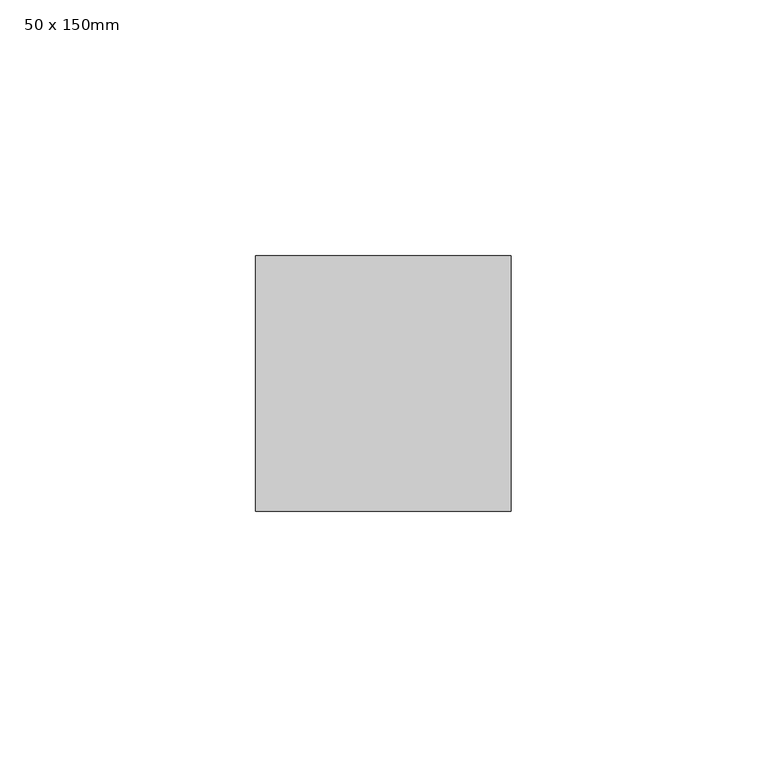
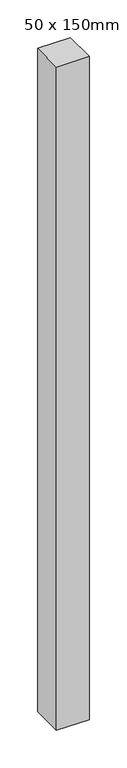
"""IFC4 building model written with IfcOpenShell, lengths in millimetres: member geometry, 50 x 150mm."""

import ifcopenshell
import ifcopenshell.guid

model = None  # the IFC model being written
_history = None  # IfcOwnerHistory: only IFC2X3 demands one
_inside = {}  # id of a spatial element -> (the spatial element, [elements in it])
_under = {}  # id of a project, library or spatial element -> (it, [spatial elements below it])
_declared = {}  # id of a project -> (the project, [libraries it declares])
_typed = {}  # id of a type object -> (the type object, [elements of that type])
_made_of = {}  # id of a material, layer set ... -> (it, [elements and type objects made of it])


def new_model(schema):
    """Start an empty IFC model of exactly this schema.

    Asked for "IFC4X3", IfcOpenShell would pick the latest addendum, in which some entities
    have other attributes; the version numbers below select the first issue.
    IFC2X3 requires an IfcOwnerHistory on every rooted entity: one is made here for all.
    """
    global model, _history
    if schema == "IFC4X3":
        model = ifcopenshell.file(schema_version=(4, 3, 0, 0))
    else:
        model = ifcopenshell.file(schema=schema)
    _inside.clear()
    _under.clear()
    _declared.clear()
    _typed.clear()
    _made_of.clear()
    _history = None
    if model.schema == "IFC2X3":
        org = make("IfcOrganization", Name="unknown")
        user = make(
            "IfcPersonAndOrganization",
            ThePerson=make("IfcPerson", FamilyName="unknown"),
            TheOrganization=org,
        )
        app = make(
            "IfcApplication",
            ApplicationDeveloper=org,
            Version="unknown",
            ApplicationFullName="unknown",
            ApplicationIdentifier="unknown",
        )
        _history = make(
            "IfcOwnerHistory",
            OwningUser=user,
            OwningApplication=app,
            ChangeAction="ADDED",
            CreationDate=0,
        )
    return model


def make(cls, **values):
    """One entity of the class cls with the attributes given. An attribute that is None is left unset."""
    return model.create_entity(
        cls, **{name: value for name, value in values.items() if value is not None}
    )


def rooted(cls, **values):
    """An entity with a GlobalId (a new one), such as an element, a storey or a relation."""
    return make(cls, GlobalId=ifcopenshell.guid.new(), OwnerHistory=_history, **values)


def si_unit(unit_type, name, prefix=None):
    """IfcSIUnit, for example si_unit("LENGTHUNIT", "METRE", prefix="MILLI")."""
    return make("IfcSIUnit", UnitType=unit_type, Prefix=prefix, Name=name)


def assignment(units):
    """IfcUnitAssignment: the units of a project."""
    return None if units is None else make("IfcUnitAssignment", Units=units)


def point(xyz):
    """IfcCartesianPoint."""
    return None if xyz is None else make("IfcCartesianPoint", Coordinates=xyz)


def direction(xyz):
    """IfcDirection."""
    return None if xyz is None else make("IfcDirection", DirectionRatios=xyz)


def frame(location, z_axis=None, x_axis=None):
    """IfcAxis2Placement3D, a coordinate frame: its origin and axes. An axis left out is left unset."""
    return make(
        "IfcAxis2Placement3D",
        Location=point(location),
        Axis=direction(z_axis),
        RefDirection=direction(x_axis),
    )


def origin():
    """The frame at (0, 0, 0) with its axes left unset."""
    return frame((0.0, 0.0, 0.0))


def place(relative_to, where):
    """IfcLocalPlacement: puts the frame where relative to a parent placement (None: the world)."""
    return make(
        "IfcLocalPlacement", PlacementRelTo=relative_to, RelativePlacement=where
    )


def context(
    kind, dimensions, precision=None, world=None, true_north=None, identifier=None
):
    """IfcGeometricRepresentationContext, for example the 3D "Model" context."""
    return make(
        "IfcGeometricRepresentationContext",
        ContextIdentifier=identifier,
        ContextType=kind,
        CoordinateSpaceDimension=dimensions,
        Precision=precision,
        WorldCoordinateSystem=world,
        TrueNorth=true_north,
    )


def project(units=None, contexts=None):
    """IfcProject with its units and contexts."""
    return rooted(
        "IfcProject",
        Name="project",
        RepresentationContexts=contexts,
        UnitsInContext=assignment(units),
    )


def spatial(cls, under=None, at=None, **own):
    """A site, building, storey or space (cls), placed at a placement, below another one or the project."""
    s = rooted(cls, ObjectPlacement=at, **own)
    if under is not None:
        _under.setdefault(under.id(), (under, []))[1].append(s)
    return s


def polyline(points):
    """IfcPolyline through the points."""
    return make("IfcPolyline", Points=[point(p) for p in points])


def outline(outer, holes=None, kind="AREA"):
    """IfcArbitraryClosedProfileDef: a profile drawn as a closed curve; with holes, ...WithVoids."""
    if holes is None:
        return make("IfcArbitraryClosedProfileDef", ProfileType=kind, OuterCurve=outer)
    return make(
        "IfcArbitraryProfileDefWithVoids",
        ProfileType=kind,
        OuterCurve=outer,
        InnerCurves=holes,
    )


def extrude(swept, where, along, depth):
    """IfcExtrudedAreaSolid: the profile swept, set in the frame where, extruded along a direction by depth."""
    return make(
        "IfcExtrudedAreaSolid",
        SweptArea=swept,
        Position=where,
        ExtrudedDirection=direction(along),
        Depth=depth,
    )


def shape(context_of_items, identifier, shape_type, items):
    """IfcShapeRepresentation: the items that make up one representation, for example the "Body"."""
    return make(
        "IfcShapeRepresentation",
        ContextOfItems=context_of_items,
        RepresentationIdentifier=identifier,
        RepresentationType=shape_type,
        Items=items,
    )


def source(mapping_origin, context_of_items, identifier, shape_type, items):
    """IfcRepresentationMap: a shape defined once, which mapped items show again and again."""
    return make(
        "IfcRepresentationMap",
        MappingOrigin=mapping_origin,
        MappedRepresentation=shape(context_of_items, identifier, shape_type, items),
    )


def transform(
    local_origin,
    x_axis=None,
    y_axis=None,
    z_axis=None,
    scale=None,
    scale2=None,
    scale3=None,
    uniform=True,
):
    """IfcCartesianTransformationOperator3D, or its non-uniform kind. x_axis, y_axis, z_axis: its Axis1, 2, 3."""
    if uniform:
        return make(
            "IfcCartesianTransformationOperator3D",
            Axis1=direction(x_axis),
            Axis2=direction(y_axis),
            LocalOrigin=point(local_origin),
            Scale=scale,
            Axis3=direction(z_axis),
        )
    return make(
        "IfcCartesianTransformationOperator3DnonUniform",
        Axis1=direction(x_axis),
        Axis2=direction(y_axis),
        LocalOrigin=point(local_origin),
        Scale=scale,
        Axis3=direction(z_axis),
        Scale2=scale2,
        Scale3=scale3,
    )


def mapped(mapping_source, mapping_target):
    """IfcMappedItem: shows the shape of a source again, moved by a transform."""
    return make(
        "IfcMappedItem", MappingSource=mapping_source, MappingTarget=mapping_target
    )


def made_of(thing, what):
    """Note that an element or type object is made of a material, layer set ...; save() writes the relation."""
    if what is not None:
        _made_of.setdefault(what.id(), (what, []))[1].append(thing)
    return thing


def element(
    cls,
    number,
    at=None,
    inside=None,
    cuts=None,
    type_object=None,
    material=None,
    context=None,
    identifier="Body",
    shape_type=None,
    held_by="IfcProductDefinitionShape",
    body=None,
    shapes=None,
    **own,
):
    """One element of the class cls, such as IfcWall. Its Tag is "e" and its number.

    at: its placement. inside: the storey or other place that contains it. cuts: it is an
    opening in that element (IfcRelVoidsElement). A single representation is given by context,
    identifier, shape_type and body (its items); several are given by shapes. held_by: the class
    of the entity that holds the representations. save() writes the other relations.
    """
    e = rooted(cls, Tag="e%d" % number, ObjectPlacement=at, **own)
    if body is not None:
        shapes = [shape(context, identifier, shape_type, body)]
    if shapes is not None:
        e.Representation = make(held_by, Representations=shapes)
    if inside is not None:
        _inside.setdefault(inside.id(), (inside, []))[1].append(e)
    if cuts is not None:
        rooted(
            "IfcRelVoidsElement", RelatingBuildingElement=cuts, RelatedOpeningElement=e
        )
    if type_object is not None:
        _typed.setdefault(type_object.id(), (type_object, []))[1].append(e)
    return made_of(e, material)


def aggregate(whole, parts):
    """IfcRelAggregates: a whole, such as a stair, and the parts it consists of."""
    return rooted("IfcRelAggregates", RelatingObject=whole, RelatedObjects=parts)


def save(model, path):
    """Write the relations noted so far, then the file.

    IfcRelAggregates (storeys below a building ...), IfcRelContainedInSpatialStructure (elements
    in a storey), IfcRelDefinesByType, IfcRelAssociatesMaterial and IfcRelDeclares: one each for
    every whole, place, type object, material and project.
    """
    for whole, parts in _under.values():
        aggregate(whole, parts)
    for where, things in _inside.values():
        rooted(
            "IfcRelContainedInSpatialStructure",
            RelatedElements=things,
            RelatingStructure=where,
        )
    for kind, things in _typed.values():
        rooted("IfcRelDefinesByType", RelatedObjects=things, RelatingType=kind)
    for what, things in _made_of.values():
        rooted("IfcRelAssociatesMaterial", RelatedObjects=things, RelatingMaterial=what)
    for by, libraries in _declared.values():
        rooted("IfcRelDeclares", RelatingContext=by, RelatedDefinitions=libraries)
    model.write(path)


def member_50_x_150mm_f5ddd7f5(model_context):
    return source(origin(), model_context, "Body", "SweptSolid", [
        extrude(outline(polyline([(25.0, 25.0), (25.0, -25.0), (-25.0, -25.0), (-25.0, 25.0), (25.0, 25.0)])), frame((0.0, 0.0, -1075.0), z_axis=(0.0, 0.0, 1.0), x_axis=(1.0, 0.0, 0.0)), (0.0, 0.0, 1.0), 1075.0),
    ])


if __name__ == "__main__":
    model = new_model("IFC4")
    model_context = context("Model", 3, world=origin())
    ifc_project = project(units=[si_unit("LENGTHUNIT", "METRE", prefix="MILLI")], contexts=[model_context])
    site = spatial("IfcSite", under=ifc_project)
    building = spatial("IfcBuilding", under=site)
    placement = place(None, origin())
    member_50_x_150mm_shape = member_50_x_150mm_f5ddd7f5(model_context)
    element("IfcMember", 1, ObjectType="50 x 150mm", at=placement, inside=building, context=model_context, shape_type="MappedRepresentation", body=[
        mapped(member_50_x_150mm_shape, transform((0.0, 0.0, 0.0), x_axis=(1.0, 0.0, 0.0), y_axis=(0.0, 1.0, 0.0), z_axis=(0.0, 0.0, 1.0))),
    ])
    save(model, "model.ifc")
